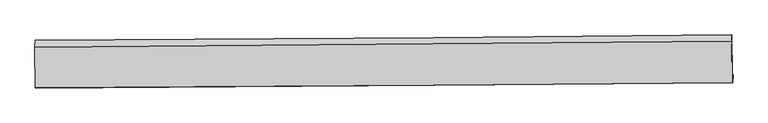
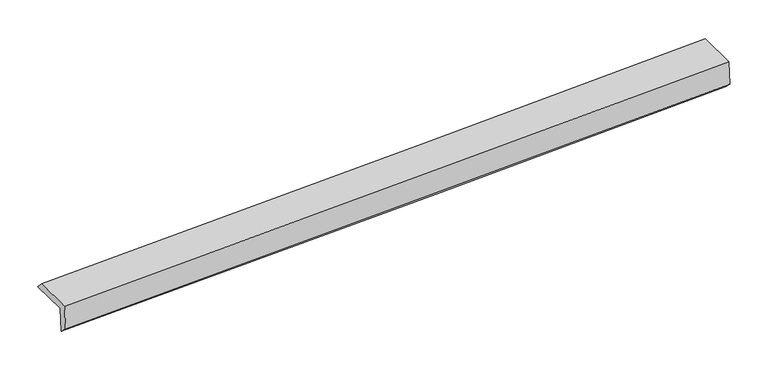
"""IFC4 building model written with IfcOpenShell, lengths in millimetres: proxy geometry."""

from ifc_helpers import new_model, si_unit, frame, origin, place, context, project, spatial, source, transform, mapped, element, save
from ifc_brep_helpers import plane_surface, spline_curve, spline_surface, advanced_brep


def generic_models_739ca9de(model_context):
    return source(origin(), model_context, "Body", "AdvancedBrep", [
        advanced_brep(
        [(-5941.9311929, -1848.7182861, 1438.801298), (-5955.3957043, -1846.8666445, 1850.7895903), (5393.8596509, -1761.8106869, 2221.3212012), (5407.3241624, -1763.6623285, 1809.3329089), (-5944.4518998, -1979.293771, 1551.2900504), (5404.4768154, -1894.1928939, 1931.8162243), (-5958.2828786, -1977.3917328, 1974.4915426), (5390.9724767, -1892.3357753, 2345.0231536), (-5964.051647, -1311.2654029, 1971.3091685), (5385.1171108, -1216.2099344, 2341.7930075), (-5961.0100993, -1198.5659967, 1847.6923772), (5388.2452559, -1113.5100392, 2218.2239881)],
        [
            (0, 1),
            (1, 2, spline_curve(3, [(-5955.3957043, -1846.8666445, 1850.7895903), (-3791.350679453, -1843.472513562, 1913.707936546), (-1627.511430544, -1832.745347425, 1981.042699519), (2155.48318122, -1801.16807502, 2106.495708185), (3774.729051065, -1783.543254868, 2162.671481875), (5393.8596509, -1761.8106869, 2221.3212012)], [4, 2, 4], [0.0, 21.308170796430908, 37.25616946496661])),
            (2, 3),
            (3, 0, spline_curve(3, [(5407.3241624, -1763.6623285, 1809.3329089), (3788.098376934, -1785.381806883, 1753.595680605), (2168.798067066, -1802.999139747, 1699.085667441), (-1614.22853657, -1834.572013441, 1574.611555935), (-3778.01334516, -1845.306666126, 1505.611032602), (-5941.9311929, -1848.7182861, 1438.801298)], [4, 2, 4], [0.0, 15.947998668535703, 37.25616946496661])),
            (4, 0),
            (3, 5),
            (5, 4, spline_curve(3, [(5404.4768154, -1894.1928939, 1931.8162243), (3785.1656766, -1910.079709202, 1877.118513024), (2165.83650082, -1924.363872032, 1822.592575508), (-1617.125575334, -1953.98918845, 1695.61564566), (-3780.772638273, -1968.071984496, 1623.299524874), (-5944.4518998, -1979.293771, 1551.2900504)], [4, 2, 4], [0.0, 15.94795871280169, 37.25607612425167])),
            (6, 4),
            (5, 7),
            (7, 6, spline_curve(3, [(5390.9724767, -1892.3357753, 2345.0231536), (3771.791406377, -1908.240477698, 2286.345591919), (2152.516670748, -1922.532126979, 2230.153894372), (-1630.494904226, -1952.15063635, 2104.691527775), (-3794.305287305, -1966.210972699, 2037.372688361), (-5958.2828786, -1977.3917328, 1974.4915426)], [4, 2, 4], [0.0, 15.947937788926879, 37.25602724392242])),
            (8, 6),
            (7, 9),
            (9, 8, spline_curve(3, [(5385.1171108, -1216.2099344, 2341.7930075), (3765.926792621, -1231.046749321, 2283.110344327), (2146.652056874, -1245.338398555, 2226.918646706), (-1636.33791388, -1277.451603537, 2101.468197894), (-3800.119430864, -1294.845110131, 2034.165282996), (-5964.051647, -1311.2654029, 1971.3091685)], [4, 2, 4], [0.0, 15.947943209823784, 37.2560399076966])),
            (10, 8),
            (9, 11),
            (11, 10, spline_curve(3, [(5388.2452559, -1113.5100392, 2218.2239881), (3769.064185402, -1129.414741688, 2159.546426674), (2149.789450286, -1143.706390823, 2103.354729053), (-1633.222125245, -1173.324900326, 1977.892362033), (-3797.032508282, -1187.38523635, 1910.573523027), (-5961.0100993, -1198.5659967, 1847.6923772)], [4, 2, 4], [0.0, 15.947943209823784, 37.256039907696604])),
            (1, 10),
            (11, 2),
        ],
        [
            spline_surface(3, 3, [[(-5941.9311929, -1848.7182861, 1438.801298), (-3778.01334548, -1845.306665953, 1505.611032374), (-1614.2285368, -1834.572013253, 1574.611556059), (2168.798067238, -1802.999139888, 1699.085667349), (3788.098377018, -1785.38180666, 1753.595680618), (5407.3241624, -1763.6623285, 1809.3329089)], [(-5946.419363386, -1848.101072235, 1576.130728765), (-3782.459123466, -1844.69528191, 1641.643333712), (-1618.656168111, -1833.963124743, 1710.088603899), (2164.359771891, -1802.388784859, 1834.889014292), (3783.641934996, -1784.768956098, 1889.954281058), (5402.835991914, -1763.045114635, 1946.662339665)], [(-5950.907533814, -1847.483858365, 1713.460159535), (-3786.904901393, -1844.083897864, 1777.675635055), (-1623.083799327, -1833.354236231, 1845.565651718), (2159.921476639, -1801.778429827, 1970.692361212), (3779.185492933, -1784.156105532, 2026.312881503), (5398.347821386, -1762.427900765, 2083.991770435)], [(-5955.3957043, -1846.8666445, 1850.7895903), (-3791.350679378, -1843.472513822, 1913.707936392), (-1627.511430639, -1832.745347722, 1981.042699559), (2155.483181291, -1801.168074798, 2106.495708155), (3774.729050912, -1783.54325497, 2162.671481943), (5393.8596509, -1761.8106869, 2221.3212012)]], [4, 4], [4, 2, 4], [0.0, 1.3356519981178783], [0.0, 21.308170796430908, 37.25616946496661]),
            spline_surface(3, 3, [[(-5944.4518998, -1979.293771, 1551.2900504), (-3780.772638464, -1968.071984372, 1623.299524784), (-1617.125575545, -1953.989188286, 1695.615645504), (2165.836500977, -1924.363872155, 1822.592575625), (3785.165676502, -1910.079709212, 1877.118512897), (5404.4768154, -1894.1928939, 1931.8162243)], [(-5943.611664175, -1935.768609342, 1513.79379958), (-3779.852874145, -1927.150211541, 1584.070027294), (-1616.159895936, -1914.183463291, 1655.280949019), (2166.823689758, -1883.908961415, 1781.423606196), (3786.14324334, -1868.513741703, 1835.944235469), (5405.425931066, -1850.682705441, 1890.988452498)], [(-5942.771428525, -1892.243447758, 1476.29754882), (-3778.9331098, -1886.228438784, 1544.840529864), (-1615.194216408, -1874.377738248, 1614.946252544), (2167.810878457, -1843.454050628, 1740.254636777), (3787.120810179, -1826.947774169, 1794.769958046), (5406.375046734, -1807.172516959, 1850.160680702)], [(-5941.9311929, -1848.7182861, 1438.801298), (-3778.01334548, -1845.306665953, 1505.611032374), (-1614.2285368, -1834.572013253, 1574.611556059), (2168.798067238, -1802.999139888, 1699.085667349), (3788.098377018, -1785.38180666, 1753.595680618), (5407.3241624, -1763.6623285, 1809.3329089)]], [4, 4], [4, 2, 4], [0.0, 0.5618068889945232], [0.0, 21.30811741144998, 37.25607612425167]),
            spline_surface(3, 3, [[(-5958.2828786, -1977.3917328, 1974.4915426), (-3794.305287227, -1966.210972562, 2037.372688589), (-1630.494904333, -1952.150636178, 2104.691527853), (2152.516670828, -1922.532127108, 2230.153894313), (3771.791406394, -1908.240477664, 2286.345592104), (5390.9724767, -1892.3357753, 2345.0231536)], [(-5953.67255233, -1978.025745547, 1833.424378536), (-3789.794404303, -1966.831309845, 1899.348300657), (-1626.03846143, -1952.763486862, 1968.332900411), (2156.956614185, -1923.142708771, 2094.300121425), (3776.249496425, -1908.85355486, 2149.936565719), (5395.473922928, -1892.954814847, 2207.287510517)], [(-5949.06222607, -1978.659758253, 1692.357214464), (-3785.283521388, -1967.451647089, 1761.323912717), (-1621.582018449, -1953.376337602, 1831.974272945), (2161.39655762, -1923.753290491, 1958.446348513), (3780.707586471, -1909.466632015, 2013.527539282), (5399.975369172, -1893.573854353, 2069.551867383)], [(-5944.4518998, -1979.293771, 1551.2900504), (-3780.772638464, -1968.071984372, 1623.299524784), (-1617.125575545, -1953.989188286, 1695.615645504), (2165.836500977, -1924.363872155, 1822.592575625), (3785.165676502, -1910.079709212, 1877.118512897), (5404.4768154, -1894.1928939, 1931.8162243)]], [4, 4], [4, 2, 4], [0.0, 1.3417156032132982], [0.0, 21.30808945499554, 37.25602724392242]),
            spline_surface(3, 3, [[(-5964.051647, -1311.2654029, 1971.3091685), (-3800.119430881, -1294.845109912, 2034.165282971), (-1636.337913832, -1277.451603244, 2101.468198232), (2146.652056838, -1245.338398775, 2226.918646452), (3765.926792404, -1231.046749231, 2283.110344242), (5385.1171108, -1216.2099344, 2341.7930075)], [(-5962.128724182, -1533.30751287, 1972.369959866), (-3798.181382979, -1518.633730799, 2035.234418176), (-1634.390243987, -1502.3512809, 2102.542641437), (2148.60692818, -1471.069641564, 2227.997062403), (3767.881663746, -1456.77799202, 2284.188760194), (5387.068899445, -1441.585214678, 2342.869722864)], [(-5960.205801418, -1755.34962283, 1973.430751234), (-3796.24333513, -1742.422351675, 2036.303553384), (-1632.442574178, -1727.250958522, 2103.617084648), (2150.561799486, -1696.800884318, 2229.075478362), (3769.836535052, -1682.509234874, 2285.267176152), (5389.020688055, -1666.960495022, 2343.946438236)], [(-5958.2828786, -1977.3917328, 1974.4915426), (-3794.305287227, -1966.210972562, 2037.372688589), (-1630.494904333, -1952.150636178, 2104.691527853), (2152.516670828, -1922.532127108, 2230.153894313), (3771.791406394, -1908.240477664, 2286.345592104), (5390.9724767, -1892.3357753, 2345.0231536)]], [4, 4], [4, 2, 4], [0.0, 2.216305850484878], [0.0, 21.308096697872813, 37.2560399076966]),
            spline_surface(3, 3, [[(-5961.0100993, -1198.5659967, 1847.6923772), (-3797.032507927, -1187.385236462, 1910.573523189), (-1633.222125033, -1173.324900078, 1977.892362353), (2149.789450128, -1143.706391008, 2103.354728813), (3769.064185594, -1129.414741564, 2159.546426604), (5388.2452559, -1113.5100392, 2218.2239881)], [(-5962.023948532, -1236.132465436, 1888.897974317), (-3798.061482244, -1223.205194281, 1951.770776467), (-1634.260721292, -1208.033801128, 2019.084307632), (2148.743652372, -1177.583726925, 2144.542701345), (3768.018387838, -1163.292077481, 2200.734399135), (5387.202540841, -1147.743337628, 2259.413661219)], [(-5963.037797768, -1273.698934164, 1930.103571383), (-3799.090456565, -1259.025152093, 1992.968029693), (-1635.299317573, -1242.742702194, 2060.276252954), (2147.697854594, -1211.461062858, 2185.73067392), (3766.97259016, -1197.169413314, 2241.922371711), (5386.159825859, -1181.976635972, 2300.603334381)], [(-5964.051647, -1311.2654029, 1971.3091685), (-3800.119430881, -1294.845109912, 2034.165282971), (-1636.337913832, -1277.451603244, 2101.468198232), (2146.652056838, -1245.338398775, 2226.918646452), (3765.926792404, -1231.046749231, 2283.110344242), (5385.1171108, -1216.2099344, 2341.7930075)]], [4, 4], [4, 2, 4], [0.0, 0.5285781016281287], [0.0, 21.30809669787282, 37.256039907696604]),
            spline_surface(3, 3, [[(-5955.3957043, -1846.8666445, 1850.7895903), (-3791.350679378, -1843.472513822, 1913.707936392), (-1627.511430639, -1832.745347722, 1981.042699559), (2155.483181291, -1801.168074798, 2106.495708156), (3774.729050912, -1783.54325497, 2162.671481943), (5393.8596509, -1761.8106869, 2221.3212012)], [(-5957.267169295, -1630.76642857, 1849.757185937), (-3793.244622222, -1624.776754706, 1912.663131995), (-1629.414995426, -1612.938531837, 1979.992587161), (2153.585270914, -1582.014180197, 2105.448715046), (3772.840762478, -1565.500417138, 2161.629796834), (5391.988185905, -1545.71047097, 2220.288796837)], [(-5959.138634305, -1414.66621263, 1848.724781563), (-3795.138565083, -1406.080995578, 1911.618327587), (-1631.318560246, -1393.131715964, 1978.94247475), (2151.687360504, -1362.860285608, 2104.401721923), (3770.952474028, -1347.457579395, 2160.588111714), (5390.116720895, -1329.61025513, 2219.256392463)], [(-5961.0100993, -1198.5659967, 1847.6923772), (-3797.032507927, -1187.385236462, 1910.573523189), (-1633.222125033, -1173.324900078, 1977.892362353), (2149.789450128, -1143.706391008, 2103.354728813), (3769.064185594, -1129.414741564, 2159.546426604), (5388.2452559, -1113.5100392, 2218.2239881)]], [4, 4], [4, 2, 4], [0.0, 2.1605765323278834], [0.0, 21.308138047095483, 37.25611220454749]),
            plane_surface(frame((5394.9992453, -1606.9536097, 2144.5850806), z_axis=(0.9994288724305403, 0.008811082400848035, 0.03262351573856432), x_axis=(0.008659748245425071, -0.9999510923660495, 0.004777199626388134))),
            plane_surface(frame((-5954.187237, -1693.683639, 1772.3956712), z_axis=(-0.9994288724305403, -0.008811082400842623, -0.032623515738566804), x_axis=(0.03266401249915425, -0.0044919598027998026, -0.9994562944844488))),
        ],
        [
            (0, [[1, 2, 3, 4]]),
            (1, [[5, -4, 6, 7]]),
            (2, [[8, -7, 9, 10]]),
            (3, [[11, -10, 12, 13]]),
            (4, [[14, -13, 15, 16]]),
            (5, [[17, -16, 18, -2]]),
            (6, [[-12, -9, -6, -3, -18, -15]]),
            (7, [[-1, -5, -8, -11, -14, -17]]),
        ],
    ),
    ])


if __name__ == "__main__":
    model = new_model("IFC4")
    model_context = context("Model", 3, world=origin())
    ifc_project = project(units=[si_unit("LENGTHUNIT", "METRE", prefix="MILLI")], contexts=[model_context])
    site = spatial("IfcSite", under=ifc_project)
    building = spatial("IfcBuilding", under=site)
    placement = place(None, origin())
    generic_models_shape = generic_models_739ca9de(model_context)
    element("IfcBuildingElementProxy", 1, Name="Generic Models", at=placement, inside=building, context=model_context, shape_type="MappedRepresentation", body=[
        mapped(generic_models_shape, transform((0.0, 0.0, 0.0), x_axis=(1.0, 0.0, 0.0), y_axis=(0.0, 1.0, 0.0), z_axis=(0.0, 0.0, 1.0))),
    ])
    save(model, "model.ifc")
